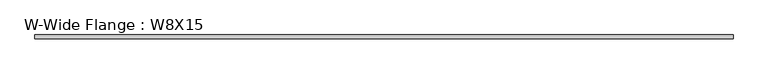
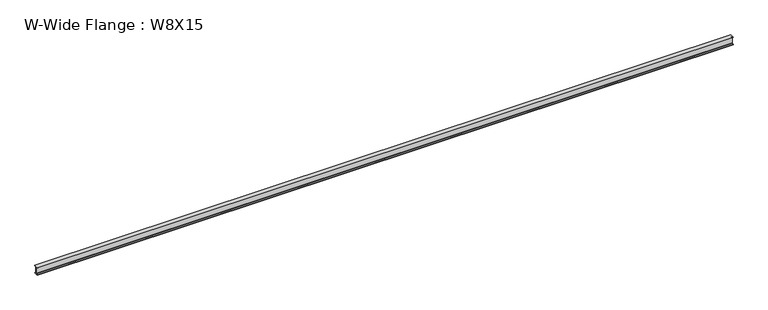
"""IFC4 building model written with IfcOpenShell, lengths in millimetres: beam geometry, W-Wide Flange : W8X15."""

from ifc_helpers import new_model, si_unit, point, frame, frame_2d, origin, place, context, project, spatial, polyline, circle_curve, trimmed, segment, composite_curve, outline, extrude, source, transform, mapped, element, save


def w_wide_flange_w8x15_36ae1516(model_context):
    return source(origin(), model_context, "Body", "SweptSolid", [
        extrude(outline(composite_curve([segment(polyline([(50.927, -94.996), (50.927, -102.997), (-50.927, -102.997), (-50.927, -94.996), (-15.748, -94.996)]), True, "CONTINUOUS"), segment(trimmed(circle_curve(frame_2d((-15.748, -82.3595)), 12.6365), [point((-15.748, -94.996))], [point((-3.1115, -82.3595))], True, "CARTESIAN"), True, "CONTINUOUS"), segment(polyline([(-3.1115, -82.3595), (-3.1115, 82.3595)]), True, "CONTINUOUS"), segment(trimmed(circle_curve(frame_2d((-15.748, 82.3595)), 12.6365), [point((-3.1115, 82.3595))], [point((-15.748, 94.996))], True, "CARTESIAN"), True, "CONTINUOUS"), segment(polyline([(-15.748, 94.996), (-50.927, 94.996), (-50.927, 102.997), (50.927, 102.997), (50.927, 94.996), (15.748, 94.996)]), True, "CONTINUOUS"), segment(trimmed(circle_curve(frame_2d((15.748, 82.3595)), 12.6365), [point((15.748, 94.996))], [point((3.1115, 82.3595))], True, "CARTESIAN"), True, "CONTINUOUS"), segment(polyline([(3.1115, 82.3595), (3.1115, -82.3595)]), True, "CONTINUOUS"), segment(trimmed(circle_curve(frame_2d((15.748, -82.3595)), 12.6365), [point((3.1115, -82.3595))], [point((15.748, -94.996))], True, "CARTESIAN"), True, "CONTINUOUS"), segment(polyline([(15.748, -94.996), (50.927, -94.996)]), True, "CONTINUOUS")], self_intersect=False)), frame((-9051.925, 0.0, 0.0), z_axis=(1.0, 0.0, 0.0), x_axis=(0.0, 1.0, 0.0)), (0.0, 0.0, 1.0), 18281.65),
    ])


if __name__ == "__main__":
    model = new_model("IFC4")
    model_context = context("Model", 3, world=origin())
    ifc_project = project(units=[si_unit("LENGTHUNIT", "METRE", prefix="MILLI")], contexts=[model_context])
    site = spatial("IfcSite", under=ifc_project)
    building = spatial("IfcBuilding", under=site)
    placement = place(None, origin())
    w_wide_flange_w8x15_shape = w_wide_flange_w8x15_36ae1516(model_context)
    element("IfcBeam", 1, ObjectType="W-Wide Flange : W8X15", at=placement, inside=building, context=model_context, shape_type="MappedRepresentation", body=[
        mapped(w_wide_flange_w8x15_shape, transform((0.0, 0.0, 0.0), x_axis=(1.0, 0.0, 0.0), y_axis=(0.0, 1.0, 0.0), z_axis=(0.0, 0.0, 1.0))),
    ])
    save(model, "model.ifc")
